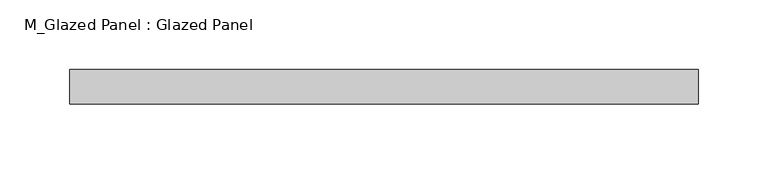
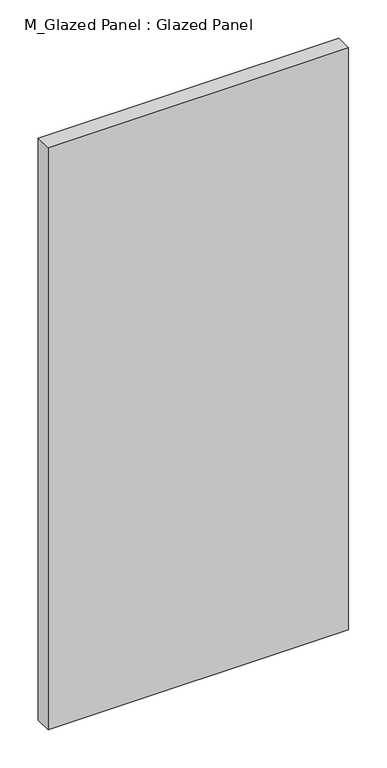
"""IFC4 building model written with IfcOpenShell, lengths in millimetres: plate geometry, M_Glazed Panel : Glazed Panel."""

from ifc_helpers import new_model, si_unit, origin, origin_with_axes, place, context, project, spatial, polyline, outline, extrude, source, transform, mapped, element, save


def m_glazed_panel_glazed_panel_6188ff78(model_context):
    return source(origin(), model_context, "Body", "SweptSolid", [
        extrude(outline(polyline([(226.1967725, 38.5), (-226.1967725, 38.5), (-226.1967725, 63.5), (226.1967725, 63.5), (226.1967725, 38.5)])), origin_with_axes(), (0.0, 0.0, 1.0), 925.0),
    ])


if __name__ == "__main__":
    model = new_model("IFC4")
    model_context = context("Model", 3, world=origin())
    ifc_project = project(units=[si_unit("LENGTHUNIT", "METRE", prefix="MILLI")], contexts=[model_context])
    site = spatial("IfcSite", under=ifc_project)
    building = spatial("IfcBuilding", under=site)
    placement = place(None, origin())
    m_glazed_panel_glazed_panel_shape = m_glazed_panel_glazed_panel_6188ff78(model_context)
    element("IfcPlate", 1, ObjectType="M_Glazed Panel : Glazed Panel", at=placement, inside=building, context=model_context, shape_type="MappedRepresentation", body=[
        mapped(m_glazed_panel_glazed_panel_shape, transform((0.0, 0.0, 0.0), x_axis=(1.0, 0.0, 0.0), y_axis=(0.0, 1.0, 0.0), z_axis=(0.0, 0.0, 1.0))),
    ])
    save(model, "model.ifc")
